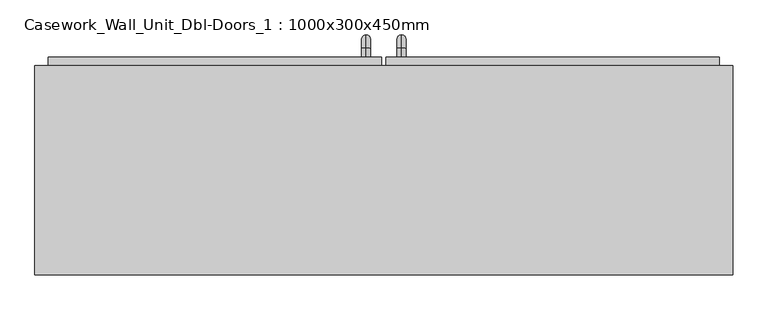
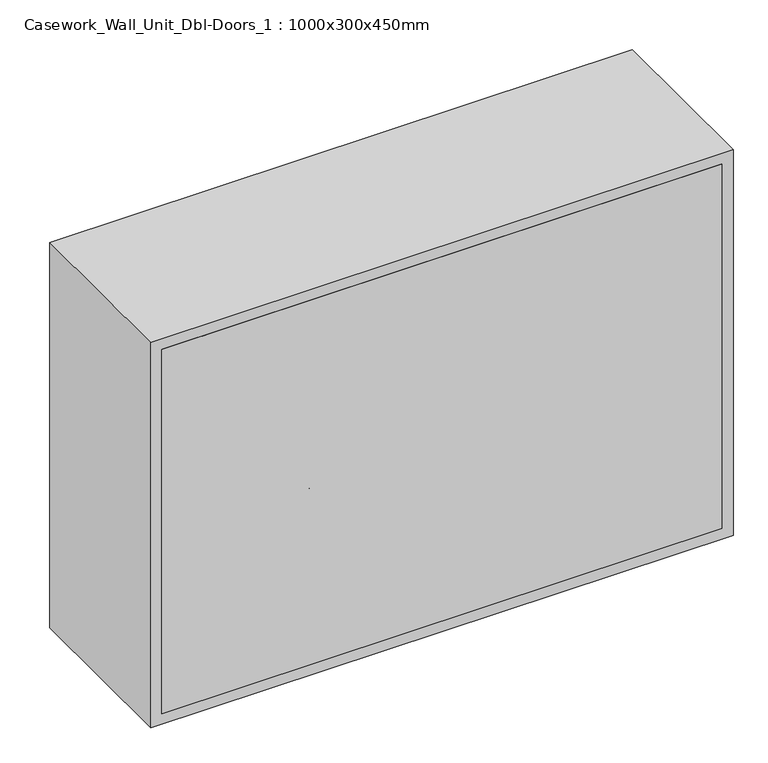
"""IFC4 building model written with IfcOpenShell, lengths in millimetres: furniture geometry, Casework_Wall_Unit_Dbl-Doors_1 : 1000x300x450mm."""

from ifc_helpers import new_model, si_unit, point, frame, origin, place, context, project, spatial, polyline, circle_curve, ellipse_curve, trimmed, outline, extrude, source, transform, mapped, element, save
from ifc_brep_helpers import plane_surface, cylinder_surface, revolved_surface, advanced_brep


def casework_wall_unit_dbl_doors_1_1000x300x450mm_09222af7(model_context):
    return source(origin(), model_context, "Body", "SolidModel", [
        extrude(outline(polyline([(32.9461628, 412.7), (510.7211628, 412.7), (510.7211628, 380.95), (32.9461628, 380.95), (32.9461628, 412.7)])), frame((0.0, 0.0, 1319.05), z_axis=(0.0, 0.0, 1.0), x_axis=(1.0, 0.0, 0.0)), (0.0, 0.0, 1.0), 661.9),
        extrude(outline(polyline([(-451.1788372, 412.7), (26.5961628, 412.7), (26.5961628, 380.95), (-451.1788372, 380.95), (-451.1788372, 412.7)])), frame((0.0, 0.0, 1319.05), z_axis=(0.0, 0.0, 1.0), x_axis=(1.0, 0.0, 0.0)), (0.0, 0.0, 1.0), 661.9),
        extrude(outline(polyline([(510.7211628, 100.0), (-451.1788372, 100.0), (-451.1788372, 119.05), (510.7211628, 119.05), (510.7211628, 100.0)])), frame((0.0, 0.0, 1319.05), z_axis=(0.0, 0.0, 1.0), x_axis=(1.0, 0.0, 0.0)), (0.0, 0.0, 1.0), 661.9),
        extrude(outline(polyline([(2000.0, -470.2288372), (1300.0, -470.2288372), (1300.0, 529.7711628), (2000.0, 529.7711628), (2000.0, -470.2288372)]), holes=[polyline([(1980.95, -451.1788372), (1980.95, 510.7211628), (1319.05, 510.7211628), (1319.05, -451.1788372), (1980.95, -451.1788372)])]), frame((0.0, 100.0, 0.0), z_axis=(0.0, 1.0, 0.0), x_axis=(0.0, 0.0, 1.0)), (0.0, 0.0, 1.0), 300.0),
        advanced_brep(
        [(55.1711628, 412.7, 1446.05), (55.1711628, 412.7, 1458.75), (55.1711628, 425.4, 1446.05), (55.1711628, 425.4, 1458.75), (55.1711628, 444.45, 1439.7), (55.1711628, 431.75, 1439.7), (55.1711628, 431.75, 1363.5), (55.1711628, 444.45, 1363.5), (55.1711628, 425.4, 1344.45), (55.1711628, 425.4, 1357.15), (55.1711628, 412.7, 1357.15), (55.1711628, 412.7, 1344.45)],
        [
            (0, 1, circle_curve(frame((55.1711628, 412.7, 1452.4), z_axis=(0.0, -1.0, 0.0), x_axis=(0.0, 0.0, -1.0)), 6.35)),
            (1, 0, circle_curve(frame((55.1711628, 412.7, 1452.4), z_axis=(0.0, -1.0, 0.0), x_axis=(0.0, 0.0, -1.0)), 6.35)),
            (0, 2),
            (2, 3, circle_curve(frame((55.1711628, 425.4, 1452.4), z_axis=(0.0, -1.0, 0.0), x_axis=(0.0, 0.0, -1.0)), 6.35)),
            (3, 1),
            (3, 2, circle_curve(frame((55.1711628, 425.4, 1452.4), z_axis=(0.0, -1.0, 0.0), x_axis=(0.0, 0.0, -1.0)), 6.35)),
            (4, 3, circle_curve(frame((55.1711628, 425.4, 1439.7), z_axis=(1.0, 0.0, 0.0), x_axis=(0.0, 0.0, 1.0)), 19.05)),
            (2, 5, circle_curve(frame((55.1711628, 425.4, 1439.7), z_axis=(-1.0, 0.0, 0.0), x_axis=(0.0, 0.0, 1.0)), 6.35)),
            (5, 4, circle_curve(frame((55.1711628, 438.1, 1439.7), z_axis=(0.0, 0.0, 1.0), x_axis=(0.0, -1.0, 0.0)), 6.35)),
            (4, 5, circle_curve(frame((55.1711628, 438.1, 1439.7), z_axis=(0.0, 0.0, 1.0), x_axis=(0.0, -1.0, 0.0)), 6.35)),
            (5, 6),
            (6, 7, circle_curve(frame((55.1711628, 438.1, 1363.5), z_axis=(0.0, 0.0, 1.0), x_axis=(0.0, -1.0, 0.0)), 6.35)),
            (7, 4),
            (7, 6, circle_curve(frame((55.1711628, 438.1, 1363.5), z_axis=(0.0, 0.0, 1.0), x_axis=(0.0, -1.0, 0.0)), 6.35)),
            (8, 7, circle_curve(frame((55.1711628, 425.4, 1363.5), z_axis=(1.0, 0.0, 0.0), x_axis=(0.0, 1.0, 0.0)), 19.05)),
            (6, 9, circle_curve(frame((55.1711628, 425.4, 1363.5), z_axis=(-1.0, 0.0, 0.0), x_axis=(0.0, 1.0, 0.0)), 6.35)),
            (9, 8, circle_curve(frame((55.1711628, 425.4, 1350.8), z_axis=(0.0, 1.0, 0.0), x_axis=(0.0, 0.0, 1.0)), 6.35)),
            (8, 9, circle_curve(frame((55.1711628, 425.4, 1350.8), z_axis=(0.0, 1.0, 0.0), x_axis=(0.0, 0.0, 1.0)), 6.35)),
            (10, 11, circle_curve(frame((55.1711628, 412.7, 1350.8), z_axis=(0.0, -1.0, 0.0), x_axis=(0.0, 0.0, 1.0)), 6.35)),
            (11, 10, circle_curve(frame((55.1711628, 412.7, 1350.8), z_axis=(0.0, -1.0, 0.0), x_axis=(0.0, 0.0, 1.0)), 6.35)),
            (9, 10),
            (11, 8),
        ],
        [
            plane_surface(frame((48.8211628, 412.7, 1452.4), z_axis=(0.0, -1.0, 0.0), x_axis=(0.0, 0.0, 1.0))),
            cylinder_surface(frame((55.1711628, 412.7, 1452.4), z_axis=(0.0, -1.0, 0.0), x_axis=(0.0, 0.0, -1.0)), 6.35),
            revolved_surface(trimmed(ellipse_curve(frame((55.1711628, 425.4, 1452.4), z_axis=(0.0, -1.0, 0.0), x_axis=(0.0, 0.0, -1.0)), 6.35, 6.35), [point((55.1711628, 425.4, 1446.05))], [point((55.1711628, 425.4, 1458.75))], True, "CARTESIAN"), (55.1711628, 425.4, 1439.7), (-1.0, 0.0, 0.0)),
            revolved_surface(trimmed(ellipse_curve(frame((55.1711628, 425.4, 1452.4), z_axis=(0.0, -1.0, 0.0), x_axis=(0.0, 0.0, -1.0)), 6.35, 6.35), [point((55.1711628, 425.4, 1458.75))], [point((55.1711628, 425.4, 1446.05))], True, "CARTESIAN"), (55.1711628, 425.4, 1439.7), (-1.0, 0.0, 0.0)),
            cylinder_surface(frame((55.1711628, 438.1, 1439.7), z_axis=(0.0, 0.0, 1.0), x_axis=(0.0, -1.0, 0.0)), 6.35),
            revolved_surface(trimmed(ellipse_curve(frame((55.1711628, 438.1, 1363.5), z_axis=(0.0, 0.0, 1.0), x_axis=(0.0, -1.0, 0.0)), 6.35, 6.35), [point((55.1711628, 431.75, 1363.5))], [point((55.1711628, 444.45, 1363.5))], True, "CARTESIAN"), (55.1711628, 425.4, 1363.5), (-1.0, 0.0, 0.0)),
            revolved_surface(trimmed(ellipse_curve(frame((55.1711628, 438.1, 1363.5), z_axis=(0.0, 0.0, 1.0), x_axis=(0.0, -1.0, 0.0)), 6.35, 6.35), [point((55.1711628, 444.45, 1363.5))], [point((55.1711628, 431.75, 1363.5))], True, "CARTESIAN"), (55.1711628, 425.4, 1363.5), (-1.0, 0.0, 0.0)),
            plane_surface(frame((48.8211628, 412.7, 1350.8), z_axis=(0.0, -1.0, 0.0), x_axis=(0.0, 0.0, -1.0))),
            cylinder_surface(frame((55.1711628, 425.4, 1350.8), z_axis=(0.0, 1.0, 0.0), x_axis=(0.0, 0.0, 1.0)), 6.35),
        ],
        [
            (0, [[1, 2]]),
            (1, [[-1, 3, 4, 5]]),
            (1, [[-2, -5, 6, -3]]),
            (2, [[7, -4, 8, 9]]),
            (3, [[-8, -6, -7, 10]]),
            (4, [[-9, 11, 12, 13]]),
            (4, [[-10, -13, 14, -11]]),
            (5, [[15, -12, 16, 17]]),
            (6, [[-16, -14, -15, 18]]),
            (7, [[19, 20]]),
            (8, [[-17, 21, -20, 22]]),
            (8, [[-18, -22, -19, -21]]),
        ],
    ),
        advanced_brep(
        [(4.3711628, 412.7, 1446.05), (4.3711628, 412.7, 1458.75), (4.3711628, 425.4, 1446.05), (4.3711628, 425.4, 1458.75), (4.3711628, 444.45, 1439.7), (4.3711628, 431.75, 1439.7), (4.3711628, 431.75, 1363.5), (4.3711628, 444.45, 1363.5), (4.3711628, 425.4, 1344.45), (4.3711628, 425.4, 1357.15), (4.3711628, 412.7, 1357.15), (4.3711628, 412.7, 1344.45)],
        [
            (0, 1, circle_curve(frame((4.3711628, 412.7, 1452.4), z_axis=(0.0, -1.0, 0.0), x_axis=(0.0, 0.0, 1.0)), 6.35)),
            (1, 0, circle_curve(frame((4.3711628, 412.7, 1452.4), z_axis=(0.0, -1.0, 0.0), x_axis=(0.0, 0.0, 1.0)), 6.35)),
            (0, 2),
            (2, 3, circle_curve(frame((4.3711628, 425.4, 1452.4), z_axis=(0.0, -1.0, 0.0), x_axis=(0.0, 0.0, 1.0)), 6.35)),
            (3, 1),
            (3, 2, circle_curve(frame((4.3711628, 425.4, 1452.4), z_axis=(0.0, -1.0, 0.0), x_axis=(0.0, 0.0, 1.0)), 6.35)),
            (4, 3, circle_curve(frame((4.3711628, 425.4, 1439.7), z_axis=(1.0, 0.0, 0.0), x_axis=(0.0, 0.0, 1.0)), 19.05)),
            (2, 5, circle_curve(frame((4.3711628, 425.4, 1439.7), z_axis=(-1.0, 0.0, 0.0), x_axis=(0.0, 0.0, 1.0)), 6.35)),
            (5, 4, circle_curve(frame((4.3711628, 438.1, 1439.7), z_axis=(0.0, 0.0, 1.0), x_axis=(0.0, 1.0, 0.0)), 6.35)),
            (4, 5, circle_curve(frame((4.3711628, 438.1, 1439.7), z_axis=(0.0, 0.0, 1.0), x_axis=(0.0, 1.0, 0.0)), 6.35)),
            (5, 6),
            (6, 7, circle_curve(frame((4.3711628, 438.1, 1363.5), z_axis=(0.0, 0.0, 1.0), x_axis=(0.0, 1.0, 0.0)), 6.35)),
            (7, 4),
            (7, 6, circle_curve(frame((4.3711628, 438.1, 1363.5), z_axis=(0.0, 0.0, 1.0), x_axis=(0.0, 1.0, 0.0)), 6.35)),
            (8, 7, circle_curve(frame((4.3711628, 425.4, 1363.5), z_axis=(1.0, 0.0, 0.0), x_axis=(0.0, 1.0, 0.0)), 19.05)),
            (6, 9, circle_curve(frame((4.3711628, 425.4, 1363.5), z_axis=(-1.0, 0.0, 0.0), x_axis=(0.0, 1.0, 0.0)), 6.35)),
            (9, 8, circle_curve(frame((4.3711628, 425.4, 1350.8), z_axis=(0.0, 1.0, 0.0), x_axis=(0.0, 0.0, -1.0)), 6.35)),
            (8, 9, circle_curve(frame((4.3711628, 425.4, 1350.8), z_axis=(0.0, 1.0, 0.0), x_axis=(0.0, 0.0, -1.0)), 6.35)),
            (10, 11, circle_curve(frame((4.3711628, 412.7, 1350.8), z_axis=(0.0, -1.0, 0.0), x_axis=(0.0, 0.0, -1.0)), 6.35)),
            (11, 10, circle_curve(frame((4.3711628, 412.7, 1350.8), z_axis=(0.0, -1.0, 0.0), x_axis=(0.0, 0.0, -1.0)), 6.35)),
            (9, 10),
            (11, 8),
        ],
        [
            plane_surface(frame((-1.9788372, 412.7, 1452.4), z_axis=(0.0, -1.0, 0.0), x_axis=(0.0, 0.0, 1.0))),
            cylinder_surface(frame((4.3711628, 412.7, 1452.4), z_axis=(0.0, -1.0, 0.0), x_axis=(0.0, 0.0, 1.0)), 6.35),
            revolved_surface(trimmed(ellipse_curve(frame((4.3711628, 425.4, 1452.4), z_axis=(0.0, -1.0, 0.0), x_axis=(0.0, 0.0, 1.0)), 6.35, 6.35), [point((4.3711628, 425.4, 1446.05))], [point((4.3711628, 425.4, 1458.75))], True, "CARTESIAN"), (4.3711628, 425.4, 1439.7), (-1.0, 0.0, 0.0)),
            revolved_surface(trimmed(ellipse_curve(frame((4.3711628, 425.4, 1452.4), z_axis=(0.0, -1.0, 0.0), x_axis=(0.0, 0.0, 1.0)), 6.35, 6.35), [point((4.3711628, 425.4, 1458.75))], [point((4.3711628, 425.4, 1446.05))], True, "CARTESIAN"), (4.3711628, 425.4, 1439.7), (-1.0, 0.0, 0.0)),
            cylinder_surface(frame((4.3711628, 438.1, 1439.7), z_axis=(0.0, 0.0, 1.0), x_axis=(0.0, 1.0, 0.0)), 6.35),
            revolved_surface(trimmed(ellipse_curve(frame((4.3711628, 438.1, 1363.5), z_axis=(0.0, 0.0, 1.0), x_axis=(0.0, 1.0, 0.0)), 6.35, 6.35), [point((4.3711628, 431.75, 1363.5))], [point((4.3711628, 444.45, 1363.5))], True, "CARTESIAN"), (4.3711628, 425.4, 1363.5), (-1.0, 0.0, 0.0)),
            revolved_surface(trimmed(ellipse_curve(frame((4.3711628, 438.1, 1363.5), z_axis=(0.0, 0.0, 1.0), x_axis=(0.0, 1.0, 0.0)), 6.35, 6.35), [point((4.3711628, 444.45, 1363.5))], [point((4.3711628, 431.75, 1363.5))], True, "CARTESIAN"), (4.3711628, 425.4, 1363.5), (-1.0, 0.0, 0.0)),
            plane_surface(frame((-1.9788372, 412.7, 1350.8), z_axis=(0.0, -1.0, 0.0), x_axis=(0.0, 0.0, -1.0))),
            cylinder_surface(frame((4.3711628, 425.4, 1350.8), z_axis=(0.0, 1.0, 0.0), x_axis=(0.0, 0.0, -1.0)), 6.35),
        ],
        [
            (0, [[1, 2]]),
            (1, [[-1, 3, 4, 5]]),
            (1, [[-2, -5, 6, -3]]),
            (2, [[7, -4, 8, 9]]),
            (3, [[-8, -6, -7, 10]]),
            (4, [[-9, 11, 12, 13]]),
            (4, [[-10, -13, 14, -11]]),
            (5, [[15, -12, 16, 17]]),
            (6, [[-16, -14, -15, 18]]),
            (7, [[19, 20]]),
            (8, [[-17, 21, -20, 22]]),
            (8, [[-18, -22, -19, -21]]),
        ],
    ),
    ])


if __name__ == "__main__":
    model = new_model("IFC4")
    model_context = context("Model", 3, world=origin())
    ifc_project = project(units=[si_unit("LENGTHUNIT", "METRE", prefix="MILLI")], contexts=[model_context])
    site = spatial("IfcSite", under=ifc_project)
    building = spatial("IfcBuilding", under=site)
    placement = place(None, origin())
    casework_wall_unit_dbl_doors_1_1000x300x450mm_shape = casework_wall_unit_dbl_doors_1_1000x300x450mm_09222af7(model_context)
    element("IfcFurniture", 1, ObjectType="Casework_Wall_Unit_Dbl-Doors_1 : 1000x300x450mm", at=placement, inside=building, context=model_context, shape_type="MappedRepresentation", body=[
        mapped(casework_wall_unit_dbl_doors_1_1000x300x450mm_shape, transform((0.0, 0.0, 0.0), x_axis=(1.0, 0.0, 0.0), y_axis=(0.0, 1.0, 0.0), z_axis=(0.0, 0.0, 1.0))),
    ])
    save(model, "model.ifc")
